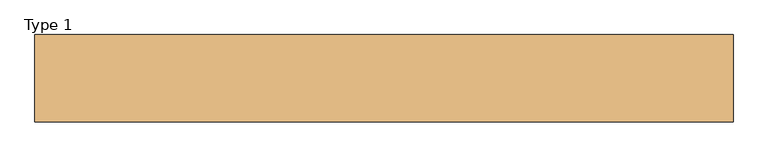
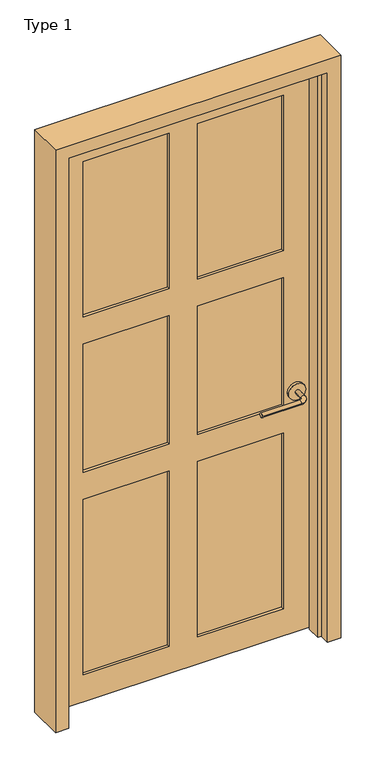
"""IFC4 building model written with IfcOpenShell, lengths in millimetres: door geometry, Type 1."""

import ifcopenshell
import ifcopenshell.guid

model = None  # the IFC model being written
_history = None  # IfcOwnerHistory: only IFC2X3 demands one
_inside = {}  # id of a spatial element -> (the spatial element, [elements in it])
_under = {}  # id of a project, library or spatial element -> (it, [spatial elements below it])
_declared = {}  # id of a project -> (the project, [libraries it declares])
_typed = {}  # id of a type object -> (the type object, [elements of that type])
_made_of = {}  # id of a material, layer set ... -> (it, [elements and type objects made of it])


def new_model(schema):
    """Start an empty IFC model of exactly this schema.

    Asked for "IFC4X3", IfcOpenShell would pick the latest addendum, in which some entities
    have other attributes; the version numbers below select the first issue.
    IFC2X3 requires an IfcOwnerHistory on every rooted entity: one is made here for all.
    """
    global model, _history
    if schema == "IFC4X3":
        model = ifcopenshell.file(schema_version=(4, 3, 0, 0))
    else:
        model = ifcopenshell.file(schema=schema)
    _inside.clear()
    _under.clear()
    _declared.clear()
    _typed.clear()
    _made_of.clear()
    _history = None
    if model.schema == "IFC2X3":
        org = make("IfcOrganization", Name="unknown")
        user = make(
            "IfcPersonAndOrganization",
            ThePerson=make("IfcPerson", FamilyName="unknown"),
            TheOrganization=org,
        )
        app = make(
            "IfcApplication",
            ApplicationDeveloper=org,
            Version="unknown",
            ApplicationFullName="unknown",
            ApplicationIdentifier="unknown",
        )
        _history = make(
            "IfcOwnerHistory",
            OwningUser=user,
            OwningApplication=app,
            ChangeAction="ADDED",
            CreationDate=0,
        )
    return model


def make(cls, **values):
    """One entity of the class cls with the attributes given. An attribute that is None is left unset."""
    return model.create_entity(
        cls, **{name: value for name, value in values.items() if value is not None}
    )


def rooted(cls, **values):
    """An entity with a GlobalId (a new one), such as an element, a storey or a relation."""
    return make(cls, GlobalId=ifcopenshell.guid.new(), OwnerHistory=_history, **values)


def si_unit(unit_type, name, prefix=None):
    """IfcSIUnit, for example si_unit("LENGTHUNIT", "METRE", prefix="MILLI")."""
    return make("IfcSIUnit", UnitType=unit_type, Prefix=prefix, Name=name)


def assignment(units):
    """IfcUnitAssignment: the units of a project."""
    return None if units is None else make("IfcUnitAssignment", Units=units)


def point(xyz):
    """IfcCartesianPoint."""
    return None if xyz is None else make("IfcCartesianPoint", Coordinates=xyz)


def direction(xyz):
    """IfcDirection."""
    return None if xyz is None else make("IfcDirection", DirectionRatios=xyz)


def frame(location, z_axis=None, x_axis=None):
    """IfcAxis2Placement3D, a coordinate frame: its origin and axes. An axis left out is left unset."""
    return make(
        "IfcAxis2Placement3D",
        Location=point(location),
        Axis=direction(z_axis),
        RefDirection=direction(x_axis),
    )


def frame_2d(location, x_axis=None):
    """IfcAxis2Placement2D, a coordinate frame in the plane: its origin and x axis."""
    return make(
        "IfcAxis2Placement2D", Location=point(location), RefDirection=direction(x_axis)
    )


def origin():
    """The frame at (0, 0, 0) with its axes left unset."""
    return frame((0.0, 0.0, 0.0))


def place(relative_to, where):
    """IfcLocalPlacement: puts the frame where relative to a parent placement (None: the world)."""
    return make(
        "IfcLocalPlacement", PlacementRelTo=relative_to, RelativePlacement=where
    )


def context(
    kind, dimensions, precision=None, world=None, true_north=None, identifier=None
):
    """IfcGeometricRepresentationContext, for example the 3D "Model" context."""
    return make(
        "IfcGeometricRepresentationContext",
        ContextIdentifier=identifier,
        ContextType=kind,
        CoordinateSpaceDimension=dimensions,
        Precision=precision,
        WorldCoordinateSystem=world,
        TrueNorth=true_north,
    )


def project(units=None, contexts=None):
    """IfcProject with its units and contexts."""
    return rooted(
        "IfcProject",
        Name="project",
        RepresentationContexts=contexts,
        UnitsInContext=assignment(units),
    )


def spatial(cls, under=None, at=None, **own):
    """A site, building, storey or space (cls), placed at a placement, below another one or the project."""
    s = rooted(cls, ObjectPlacement=at, **own)
    if under is not None:
        _under.setdefault(under.id(), (under, []))[1].append(s)
    return s


def circle_curve(where, radius):
    """IfcCircle in the frame where."""
    return make("IfcCircle", Position=where, Radius=radius)


def ellipse_curve(where, semi_axis1, semi_axis2):
    """IfcEllipse in the frame where."""
    return make(
        "IfcEllipse", Position=where, SemiAxis1=semi_axis1, SemiAxis2=semi_axis2
    )


def trimmed(basis, trim1, trim2, sense, master):
    """IfcTrimmedCurve: the piece of a basis curve between two trims."""
    return make(
        "IfcTrimmedCurve",
        BasisCurve=basis,
        Trim1=trim1,
        Trim2=trim2,
        SenseAgreement=sense,
        MasterRepresentation=master,
    )


def segment(curve, same_sense, transition):
    """IfcCompositeCurveSegment."""
    return make(
        "IfcCompositeCurveSegment",
        Transition=transition,
        SameSense=same_sense,
        ParentCurve=curve,
    )


def composite_curve(segments, self_intersect=None):
    """IfcCompositeCurve: segments joined end to end."""
    return make("IfcCompositeCurve", Segments=segments, SelfIntersect=self_intersect)


def outline(outer, holes=None, kind="AREA"):
    """IfcArbitraryClosedProfileDef: a profile drawn as a closed curve; with holes, ...WithVoids."""
    if holes is None:
        return make("IfcArbitraryClosedProfileDef", ProfileType=kind, OuterCurve=outer)
    return make(
        "IfcArbitraryProfileDefWithVoids",
        ProfileType=kind,
        OuterCurve=outer,
        InnerCurves=holes,
    )


def extrude(swept, where, along, depth):
    """IfcExtrudedAreaSolid: the profile swept, set in the frame where, extruded along a direction by depth."""
    return make(
        "IfcExtrudedAreaSolid",
        SweptArea=swept,
        Position=where,
        ExtrudedDirection=direction(along),
        Depth=depth,
    )


def faces_of(points, faces, orient=None, outer=None):
    """IfcFace entities. A face is a list of loops; a loop is a list of indices into points, from 0.

    orient and outer hold one flag for each loop. By default every Orientation is true, the
    first loop of a face is its IfcFaceOuterBound and the others are IfcFaceBound.
    """
    made = []
    for i, loops in enumerate(faces):
        bounds = []
        for j, loop in enumerate(loops):
            is_outer = j == 0 if outer is None else outer[i][j]
            bounds.append(
                make(
                    "IfcFaceOuterBound" if is_outer else "IfcFaceBound",
                    Bound=make("IfcPolyLoop", Polygon=[points[k] for k in loop]),
                    Orientation=True if orient is None else orient[i][j],
                )
            )
        made.append(make("IfcFace", Bounds=bounds))
    return made


def faceted_brep(points, faces, orient=None, outer=None, voids=None):
    """IfcFacetedBrep: a solid bounded by flat faces; with voids (closed shells), ...WithVoids."""
    shared = [point(p) for p in points]
    hull = make("IfcClosedShell", CfsFaces=faces_of(shared, faces, orient, outer))
    if voids is None:
        return make("IfcFacetedBrep", Outer=hull)
    return make(
        "IfcFacetedBrepWithVoids",
        Outer=hull,
        Voids=[
            make(cls, CfsFaces=faces_of(shared, fs, o, b)) for cls, fs, o, b in voids
        ],
    )


def shape(context_of_items, identifier, shape_type, items):
    """IfcShapeRepresentation: the items that make up one representation, for example the "Body"."""
    return make(
        "IfcShapeRepresentation",
        ContextOfItems=context_of_items,
        RepresentationIdentifier=identifier,
        RepresentationType=shape_type,
        Items=items,
    )


def source(mapping_origin, context_of_items, identifier, shape_type, items):
    """IfcRepresentationMap: a shape defined once, which mapped items show again and again."""
    return make(
        "IfcRepresentationMap",
        MappingOrigin=mapping_origin,
        MappedRepresentation=shape(context_of_items, identifier, shape_type, items),
    )


def transform(
    local_origin,
    x_axis=None,
    y_axis=None,
    z_axis=None,
    scale=None,
    scale2=None,
    scale3=None,
    uniform=True,
):
    """IfcCartesianTransformationOperator3D, or its non-uniform kind. x_axis, y_axis, z_axis: its Axis1, 2, 3."""
    if uniform:
        return make(
            "IfcCartesianTransformationOperator3D",
            Axis1=direction(x_axis),
            Axis2=direction(y_axis),
            LocalOrigin=point(local_origin),
            Scale=scale,
            Axis3=direction(z_axis),
        )
    return make(
        "IfcCartesianTransformationOperator3DnonUniform",
        Axis1=direction(x_axis),
        Axis2=direction(y_axis),
        LocalOrigin=point(local_origin),
        Scale=scale,
        Axis3=direction(z_axis),
        Scale2=scale2,
        Scale3=scale3,
    )


def mapped(mapping_source, mapping_target):
    """IfcMappedItem: shows the shape of a source again, moved by a transform."""
    return make(
        "IfcMappedItem", MappingSource=mapping_source, MappingTarget=mapping_target
    )


def made_of(thing, what):
    """Note that an element or type object is made of a material, layer set ...; save() writes the relation."""
    if what is not None:
        _made_of.setdefault(what.id(), (what, []))[1].append(thing)
    return thing


def element(
    cls,
    number,
    at=None,
    inside=None,
    cuts=None,
    type_object=None,
    material=None,
    context=None,
    identifier="Body",
    shape_type=None,
    held_by="IfcProductDefinitionShape",
    body=None,
    shapes=None,
    **own,
):
    """One element of the class cls, such as IfcWall. Its Tag is "e" and its number.

    at: its placement. inside: the storey or other place that contains it. cuts: it is an
    opening in that element (IfcRelVoidsElement). A single representation is given by context,
    identifier, shape_type and body (its items); several are given by shapes. held_by: the class
    of the entity that holds the representations. save() writes the other relations.
    """
    e = rooted(cls, Tag="e%d" % number, ObjectPlacement=at, **own)
    if body is not None:
        shapes = [shape(context, identifier, shape_type, body)]
    if shapes is not None:
        e.Representation = make(held_by, Representations=shapes)
    if inside is not None:
        _inside.setdefault(inside.id(), (inside, []))[1].append(e)
    if cuts is not None:
        rooted(
            "IfcRelVoidsElement", RelatingBuildingElement=cuts, RelatedOpeningElement=e
        )
    if type_object is not None:
        _typed.setdefault(type_object.id(), (type_object, []))[1].append(e)
    return made_of(e, material)


def aggregate(whole, parts):
    """IfcRelAggregates: a whole, such as a stair, and the parts it consists of."""
    return rooted("IfcRelAggregates", RelatingObject=whole, RelatedObjects=parts)


def save(model, path):
    """Write the relations noted so far, then the file.

    IfcRelAggregates (storeys below a building ...), IfcRelContainedInSpatialStructure (elements
    in a storey), IfcRelDefinesByType, IfcRelAssociatesMaterial and IfcRelDeclares: one each for
    every whole, place, type object, material and project.
    """
    for whole, parts in _under.values():
        aggregate(whole, parts)
    for where, things in _inside.values():
        rooted(
            "IfcRelContainedInSpatialStructure",
            RelatedElements=things,
            RelatingStructure=where,
        )
    for kind, things in _typed.values():
        rooted("IfcRelDefinesByType", RelatedObjects=things, RelatingType=kind)
    for what, things in _made_of.values():
        rooted("IfcRelAssociatesMaterial", RelatedObjects=things, RelatingMaterial=what)
    for by, libraries in _declared.values():
        rooted("IfcRelDeclares", RelatingContext=by, RelatedDefinitions=libraries)
    model.write(path)


def plane_surface(at):
    """IfcPlane: the flat surface through the origin of the frame at, square to its z axis."""
    return make("IfcPlane", Position=at)


def cylinder_surface(at, radius):
    """IfcCylindricalSurface: all points at the distance radius from the z axis of the frame at."""
    return make("IfcCylindricalSurface", Position=at, Radius=radius)


def revolved_surface(curve, axis_point, axis_direction):
    """IfcSurfaceOfRevolution: the curve turned about the line through axis_point along axis_direction."""
    return make(
        "IfcSurfaceOfRevolution",
        SweptCurve=make("IfcArbitraryOpenProfileDef", ProfileType="CURVE", Curve=curve),
        AxisPosition=make("IfcAxis1Placement", Location=point(axis_point), Axis=direction(axis_direction)),
    )


def advanced_brep(points, edges, surfaces, faces):
    """IfcAdvancedBrep: a solid bounded by faces that lie on surfaces and meet in shared edges.

    An edge is (start, end): straight between two places in points (the first is 0);
    or (start, end, curve); or (start, end, curve, False) where it runs against its curve.
    A face is (place in surfaces, loops), or (place, loops, False) where it looks against
    its surface's normal. A loop lists edges by number (the first is 1), with a minus sign
    where the edge is run from its end to its start. The first loop is the outer one.
    """
    corners = [point(p) for p in points]
    vertices = [make("IfcVertexPoint", VertexGeometry=c) for c in corners]
    made = []
    for start, end, *more in edges:
        made.append(
            make(
                "IfcEdgeCurve",
                EdgeStart=vertices[start],
                EdgeEnd=vertices[end],
                EdgeGeometry=more[0] if more else make("IfcPolyline", Points=[corners[start], corners[end]]),
                SameSense=more[1] if len(more) > 1 else True,
            )
        )
    hull = []
    for where, loops, *sense in faces:
        bounds = []
        for j, loop in enumerate(loops):
            ring = [make("IfcOrientedEdge", EdgeElement=made[abs(k) - 1], Orientation=k > 0) for k in loop]
            bounds.append(
                make(
                    "IfcFaceOuterBound" if j == 0 else "IfcFaceBound",
                    Bound=make("IfcEdgeLoop", EdgeList=ring),
                    Orientation=True,
                )
            )
        hull.append(make("IfcAdvancedFace", Bounds=bounds, FaceSurface=surfaces[where], SameSense=sense[0] if sense else True))
    return make("IfcAdvancedBrep", Outer=make("IfcClosedShell", CfsFaces=hull))


def type_1_46832e62(model_context):
    return source(origin(), model_context, "Body", "SolidModel", [
        advanced_brep(
        [(509.0006555, 20.8295325, 914.4), (494.0006555, 20.8295325, 914.4), (494.0006555, -14.1704675, 914.4), (509.0006555, -14.1704675, 914.4), (481.5006555, -26.6704675, 914.4), (481.5006555, -41.6704675, 914.4), (341.5006555, -41.6704675, 914.4), (341.5006555, -26.6704675, 914.4)],
        [
            (0, 1, circle_curve(frame((501.5006555, 20.8295325, 914.4), z_axis=(0.0, 1.0, 0.0), x_axis=(-1.0, 0.0, 0.0)), 7.5)),
            (1, 0, circle_curve(frame((501.5006555, 20.8295325, 914.4), z_axis=(0.0, 1.0, 0.0), x_axis=(-1.0, 0.0, 0.0)), 7.5)),
            (1, 2),
            (2, 3, circle_curve(frame((501.5006555, -14.1704675, 914.4), z_axis=(0.0, 1.0, 0.0), x_axis=(-1.0, 0.0, 0.0)), 7.5)),
            (3, 0),
            (3, 2, circle_curve(frame((501.5006555, -14.1704675, 914.4), z_axis=(0.0, 1.0, 0.0), x_axis=(-1.0, 0.0, 0.0)), 7.5)),
            (4, 5, circle_curve(frame((481.5006555, -34.1704675, 914.4), z_axis=(1.0, 0.0, 0.0), x_axis=(0.0, 1.0, 0.0)), 7.5)),
            (5, 3, circle_curve(frame((481.5006555, -14.1704675, 914.4), z_axis=(0.0, 0.0, 1.0), x_axis=(1.0, 0.0, 0.0)), 27.5)),
            (2, 4, circle_curve(frame((481.5006555, -14.1704675, 914.4), z_axis=(0.0, 0.0, -1.0), x_axis=(1.0, 0.0, 0.0)), 12.5)),
            (5, 4, circle_curve(frame((481.5006555, -34.1704675, 914.4), z_axis=(1.0, 0.0, 0.0), x_axis=(0.0, 1.0, 0.0)), 7.5)),
            (6, 7, circle_curve(frame((341.5006555, -34.1704675, 914.4), z_axis=(-1.0, 0.0, 0.0), x_axis=(0.0, 1.0, 0.0)), 7.5)),
            (7, 6, circle_curve(frame((341.5006555, -34.1704675, 914.4), z_axis=(-1.0, 0.0, 0.0), x_axis=(0.0, 1.0, 0.0)), 7.5)),
            (4, 7),
            (6, 5),
        ],
        [
            plane_surface(frame((501.5006555, 20.8295325, 914.4), z_axis=(0.0, 1.0, 0.0), x_axis=(0.0, 0.0, 1.0))),
            cylinder_surface(frame((501.5006555, 20.8295325, 914.4), z_axis=(0.0, 1.0, 0.0), x_axis=(-1.0, 0.0, 0.0)), 7.5),
            revolved_surface(trimmed(ellipse_curve(frame((501.5006555, -14.1704675, 914.4), z_axis=(0.0, -1.0, 0.0), x_axis=(-1.0, 0.0, 0.0)), 7.5, 7.5), [point((509.0006555, -14.1704675, 914.4))], [point((494.0006555, -14.1704675, 914.4))], True, "CARTESIAN"), (481.5006555, -14.1704675, 914.4), (0.0, 0.0, 1.0)),
            revolved_surface(trimmed(ellipse_curve(frame((501.5006555, -14.1704675, 914.4), z_axis=(0.0, -1.0, 0.0), x_axis=(-1.0, 0.0, 0.0)), 7.5, 7.5), [point((494.0006555, -14.1704675, 914.4))], [point((509.0006555, -14.1704675, 914.4))], True, "CARTESIAN"), (481.5006555, -14.1704675, 914.4), (0.0, 0.0, 1.0)),
            plane_surface(frame((341.5006555, -34.1704675, 914.4), z_axis=(-1.0, 0.0, 0.0), x_axis=(0.0, 0.0, 1.0))),
            cylinder_surface(frame((481.5006555, -34.1704675, 914.4), z_axis=(1.0, 0.0, 0.0), x_axis=(0.0, 1.0, 0.0)), 7.5),
        ],
        [
            (0, [[1, 2]]),
            (1, [[3, 4, 5, -2]]),
            (1, [[-5, 6, -3, -1]]),
            (2, [[7, 8, -4, 9]]),
            (3, [[10, -9, -6, -8]]),
            (4, [[11, 12]]),
            (5, [[13, -11, 14, -7]]),
            (5, [[-14, -12, -13, -10]]),
        ],
    ),
        extrude(outline(composite_curve([segment(trimmed(circle_curve(frame_2d((914.4, 501.5006555)), 30.0), [point((914.4, 531.5006555))], [point((914.4, 471.5006555))], False, "CARTESIAN"), True, "CONTINUOUS"), segment(trimmed(circle_curve(frame_2d((914.4, 501.5006555)), 30.0), [point((914.4, 471.5006555))], [point((914.4, 531.5006555))], False, "CARTESIAN"), True, "CONTINUOUS")], self_intersect=False)), frame((0.0, 20.8295325, 0.0), z_axis=(0.0, 1.0, 0.0), x_axis=(0.0, 0.0, 1.0)), (0.0, 0.0, 1.0), 10.0),
        faceted_brep([(-355.7493445, 65.7545325, 6.35), (-355.7493445, 65.7545325, 2139.95), (558.6506555, 65.7545325, 2139.95), (558.6506555, 65.7545325, 6.35), (-254.1493445, 65.7545325, 768.35), (-254.1493445, 65.7545325, 107.95), (50.6506555, 65.7545325, 107.95), (50.6506555, 65.7545325, 768.35), (152.2506555, 65.7545325, 768.35), (152.2506555, 65.7545325, 107.95), (457.0506555, 65.7545325, 107.95), (457.0506555, 65.7545325, 768.35), (152.2506555, 65.7545325, 1352.55), (152.2506555, 65.7545325, 869.95), (457.0506555, 65.7545325, 869.95), (457.0506555, 65.7545325, 1352.55), (-254.1493445, 65.7545325, 1352.55), (-254.1493445, 65.7545325, 869.95), (50.6506555, 65.7545325, 869.95), (50.6506555, 65.7545325, 1352.55), (152.2506555, 65.7545325, 2038.35), (152.2506555, 65.7545325, 1454.15), (457.0506555, 65.7545325, 1454.15), (457.0506555, 65.7545325, 2038.35), (-254.1493445, 65.7545325, 2038.35), (-254.1493445, 65.7545325, 1454.15), (50.6506555, 65.7545325, 1454.15), (50.6506555, 65.7545325, 2038.35), (-355.7493445, 30.8295325, 6.35), (558.6506555, 30.8295325, 6.35), (558.6506555, 30.8295325, 2139.95), (-355.7493445, 30.8295325, 2139.95), (152.2506555, 30.8295325, 869.95), (152.2506555, 30.8295325, 1352.55), (457.0506555, 30.8295325, 1352.55), (457.0506555, 30.8295325, 869.95), (-254.1493445, 30.8295325, 869.95), (-254.1493445, 30.8295325, 1352.55), (50.6506555, 30.8295325, 1352.55), (50.6506555, 30.8295325, 869.95), (-254.1493445, 30.8295325, 107.95), (-254.1493445, 30.8295325, 768.35), (50.6506555, 30.8295325, 768.35), (50.6506555, 30.8295325, 107.95), (152.2506555, 30.8295325, 107.95), (152.2506555, 30.8295325, 768.35), (457.0506555, 30.8295325, 768.35), (457.0506555, 30.8295325, 107.95), (152.2506555, 30.8295325, 1454.15), (152.2506555, 30.8295325, 2038.35), (457.0506555, 30.8295325, 2038.35), (457.0506555, 30.8295325, 1454.15), (-254.1493445, 30.8295325, 1454.15), (-254.1493445, 30.8295325, 2038.35), (50.6506555, 30.8295325, 2038.35), (50.6506555, 30.8295325, 1454.15), (152.2506555, 55.7545325, 1352.55), (152.2506555, 55.7545325, 869.95), (457.0506555, 55.7545325, 869.95), (457.0506555, 55.7545325, 1352.55), (-254.1493445, 55.7545325, 1352.55), (-254.1493445, 55.7545325, 869.95), (50.6506555, 55.7545325, 869.95), (50.6506555, 55.7545325, 1352.55), (-254.1493445, 55.7545325, 768.35), (-254.1493445, 55.7545325, 107.95), (50.6506555, 55.7545325, 107.95), (50.6506555, 55.7545325, 768.35), (152.2506555, 55.7545325, 768.35), (152.2506555, 55.7545325, 107.95), (457.0506555, 55.7545325, 107.95), (457.0506555, 55.7545325, 768.35), (152.2506555, 40.8295325, 869.95), (152.2506555, 40.8295325, 1352.55), (457.0506555, 40.8295325, 1352.55), (457.0506555, 40.8295325, 869.95), (-254.1493445, 40.8295325, 869.95), (-254.1493445, 40.8295325, 1352.55), (50.6506555, 40.8295325, 1352.55), (50.6506555, 40.8295325, 869.95), (-254.1493445, 40.8295325, 107.95), (-254.1493445, 40.8295325, 768.35), (50.6506555, 40.8295325, 768.35), (50.6506555, 40.8295325, 107.95), (152.2506555, 40.8295325, 107.95), (152.2506555, 40.8295325, 768.35), (457.0506555, 40.8295325, 768.35), (457.0506555, 40.8295325, 107.95), (152.2506555, 55.7545325, 2038.35), (457.0506555, 55.7545325, 2038.35), (457.0506555, 55.7545325, 1454.15), (152.2506555, 55.7545325, 1454.15), (-254.1493445, 55.7545325, 2038.35), (50.6506555, 55.7545325, 2038.35), (50.6506555, 55.7545325, 1454.15), (-254.1493445, 55.7545325, 1454.15), (152.2506555, 40.8295325, 2038.35), (152.2506555, 40.8295325, 1454.15), (457.0506555, 40.8295325, 1454.15), (457.0506555, 40.8295325, 2038.35), (-254.1493445, 40.8295325, 2038.35), (-254.1493445, 40.8295325, 1454.15), (50.6506555, 40.8295325, 1454.15), (50.6506555, 40.8295325, 2038.35)], [[[0, 1, 2, 3], [4, 5, 6, 7], [8, 9, 10, 11], [12, 13, 14, 15], [16, 17, 18, 19], [20, 21, 22, 23], [24, 25, 26, 27]], [[28, 29, 30, 31], [32, 33, 34, 35], [36, 37, 38, 39], [40, 41, 42, 43], [44, 45, 46, 47], [48, 49, 50, 51], [52, 53, 54, 55]], [[1, 0, 28, 31]], [[2, 1, 31, 30]], [[3, 2, 30, 29]], [[0, 3, 29, 28]], [[56, 57, 13, 12]], [[57, 58, 14, 13]], [[58, 59, 15, 14]], [[60, 61, 17, 16]], [[61, 62, 18, 17]], [[62, 63, 19, 18]], [[64, 65, 5, 4]], [[65, 66, 6, 5]], [[66, 67, 7, 6]], [[67, 64, 4, 7]], [[68, 69, 9, 8]], [[69, 70, 10, 9]], [[70, 71, 11, 10]], [[71, 68, 8, 11]], [[72, 73, 33, 32]], [[74, 75, 35, 34]], [[75, 72, 32, 35]], [[76, 77, 37, 36]], [[78, 79, 39, 38]], [[79, 76, 36, 39]], [[80, 81, 41, 40]], [[81, 82, 42, 41]], [[82, 83, 43, 42]], [[83, 80, 40, 43]], [[84, 85, 45, 44]], [[85, 86, 46, 45]], [[86, 87, 47, 46]], [[87, 84, 44, 47]], [[56, 59, 58, 57]], [[60, 63, 62, 61]], [[64, 67, 66, 65]], [[68, 71, 70, 69]], [[73, 72, 75, 74]], [[77, 76, 79, 78]], [[81, 80, 83, 82]], [[85, 84, 87, 86]], [[59, 56, 12, 15]], [[63, 60, 16, 19]], [[73, 74, 34, 33]], [[77, 78, 38, 37]], [[88, 89, 90, 91]], [[88, 91, 21, 20]], [[91, 90, 22, 21]], [[90, 89, 23, 22]], [[89, 88, 20, 23]], [[92, 93, 94, 95]], [[92, 95, 25, 24]], [[95, 94, 26, 25]], [[94, 93, 27, 26]], [[93, 92, 24, 27]], [[96, 97, 98, 99]], [[97, 96, 49, 48]], [[98, 97, 48, 51]], [[99, 98, 51, 50]], [[96, 99, 50, 49]], [[100, 101, 102, 103]], [[101, 100, 53, 52]], [[102, 101, 52, 55]], [[103, 102, 55, 54]], [[100, 103, 54, 53]]]),
        faceted_brep([(-406.5493445, 65.7545325, 0.0), (-358.9243445, 65.7545325, 0.0), (-358.9243445, 27.6545325, 0.0), (-346.2243445, 27.6545325, 0.0), (-346.2243445, -23.1454675, 0.0), (-358.9243445, -23.1454675, 0.0), (-358.9243445, -61.2454675, 0.0), (-406.5493445, -61.2454675, 0.0), (-358.9243445, 65.7545325, 2143.125), (-358.9243445, 27.6545325, 2143.125), (-346.2243445, 27.6545325, 2130.425), (-346.2243445, -23.1454675, 2130.425), (-358.9243445, -23.1454675, 2143.125), (-358.9243445, -61.2454675, 2143.125), (609.4506555, 65.7545325, 2190.75), (609.4506555, -61.2454675, 2190.75), (609.4506555, -61.2454675, 0.0), (609.4506555, 65.7545325, 0.0), (-406.5493445, -61.2454675, 2190.75), (561.8256555, -61.2454675, 2143.125), (561.8256555, -61.2454675, 0.0), (561.8256555, -23.1454675, 0.0), (549.1256555, -23.1454675, 0.0), (549.1256555, 27.6545325, 0.0), (561.8256555, 27.6545325, 0.0), (561.8256555, 65.7545325, 0.0), (-406.5493445, 65.7545325, 2190.75), (561.8256555, 65.7545325, 2143.125), (561.8256555, -23.1454675, 2143.125), (549.1256555, -23.1454675, 2130.425), (549.1256555, 27.6545325, 2130.425), (561.8256555, 27.6545325, 2143.125)], [[[0, 1, 2, 3, 4, 5, 6, 7]], [[2, 1, 8, 9]], [[4, 3, 10, 11]], [[6, 5, 12, 13]], [[14, 15, 16, 17]], [[15, 18, 7, 6, 13, 19, 20, 16]], [[17, 16, 20, 21, 22, 23, 24, 25]], [[26, 14, 17, 25, 27, 8, 1, 0]], [[18, 26, 0, 7]], [[21, 20, 19, 28]], [[5, 4, 11, 29, 22, 21, 28, 12]], [[23, 22, 29, 30]], [[3, 2, 9, 31, 24, 23, 30, 10]], [[25, 24, 31, 27]], [[15, 14, 26, 18]], [[13, 12, 28, 19]], [[11, 10, 30, 29]], [[9, 8, 27, 31]]]),
    ])


if __name__ == "__main__":
    model = new_model("IFC4")
    model_context = context("Model", 3, world=origin())
    ifc_project = project(units=[si_unit("LENGTHUNIT", "METRE", prefix="MILLI")], contexts=[model_context])
    site = spatial("IfcSite", under=ifc_project)
    building = spatial("IfcBuilding", under=site)
    placement = place(None, origin())
    type_1_shape = type_1_46832e62(model_context)
    element("IfcDoor", 1, ObjectType="Type 1", at=placement, inside=building, context=model_context, shape_type="MappedRepresentation", body=[
        mapped(type_1_shape, transform((0.0, 0.0, 0.0), x_axis=(1.0, 0.0, 0.0), y_axis=(0.0, 1.0, 0.0), z_axis=(0.0, 0.0, 1.0))),
    ])
    save(model, "model.ifc")
